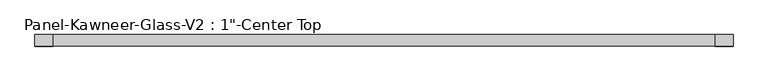
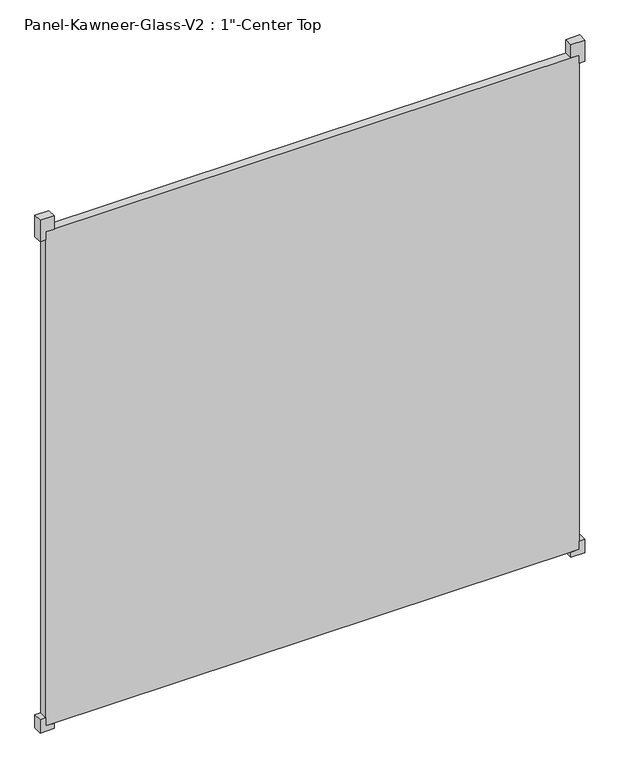
"""IFC4 building model written with IfcOpenShell, lengths in millimetres: plate geometry."""

from ifc_helpers import new_model, si_unit, frame, origin, origin_with_axes, place, context, project, spatial, polyline, outline, extrude, source, transform, mapped, element, save


def plate_96247972(model_context):
    return source(origin(), model_context, "Body", "SweptSolid", [
        extrude(outline(polyline([(-15.875, 730.25), (-15.875, 769.9375), (23.8125, 769.9375), (23.8125, 754.0625), (0.0, 754.0625), (0.0, 730.25), (-15.875, 730.25)])), frame((0.0, -12.7327949, 0.0), z_axis=(0.0, 1.0, 0.0), x_axis=(0.0, 0.0, 1.0)), (0.0, 0.0, 1.0), 25.4),
        extrude(outline(polyline([(-15.875, -730.25), (0.0, -730.25), (0.0, -754.0625), (23.8125, -754.0625), (23.8125, -769.9375), (-15.875, -769.9375), (-15.875, -730.25)])), frame((0.0, -12.7327949, 0.0), z_axis=(0.0, 1.0, 0.0), x_axis=(0.0, 0.0, 1.0)), (0.0, 0.0, 1.0), 25.4),
        extrude(outline(polyline([(1516.0625, 730.25), (1476.375, 730.25), (1476.375, 754.0625), (1452.5625, 754.0625), (1452.5625, 769.9375), (1516.0625, 769.9375), (1516.0625, 730.25)])), frame((0.0, -12.7327949, 0.0), z_axis=(0.0, 1.0, 0.0), x_axis=(0.0, 0.0, 1.0)), (0.0, 0.0, 1.0), 25.4),
        extrude(outline(polyline([(1516.0625, -730.25), (1516.0625, -769.9375), (1452.5625, -769.9375), (1452.5625, -754.0625), (1476.375, -754.0625), (1476.375, -730.25), (1516.0625, -730.25)])), frame((0.0, -12.7327949, 0.0), z_axis=(0.0, 1.0, 0.0), x_axis=(0.0, 0.0, 1.0)), (0.0, 0.0, 1.0), 25.4),
        extrude(outline(polyline([(754.0625, 12.6672051), (754.0625, -12.7327949), (-754.0625, -12.7327949), (-754.0625, 12.6672051), (754.0625, 12.6672051)])), origin_with_axes(), (0.0, 0.0, 1.0), 1476.375),
    ])


if __name__ == "__main__":
    model = new_model("IFC4")
    model_context = context("Model", 3, world=origin())
    ifc_project = project(units=[si_unit("LENGTHUNIT", "METRE", prefix="MILLI")], contexts=[model_context])
    site = spatial("IfcSite", under=ifc_project)
    building = spatial("IfcBuilding", under=site)
    placement = place(None, origin())
    plate_shape = plate_96247972(model_context)
    element("IfcPlate", 1, ObjectType="Panel-Kawneer-Glass-V2 : 1\"-Center Top", at=placement, inside=building, context=model_context, shape_type="MappedRepresentation", body=[
        mapped(plate_shape, transform((0.0, 0.0, 0.0), x_axis=(1.0, 0.0, 0.0), y_axis=(0.0, 1.0, 0.0), z_axis=(0.0, 0.0, 1.0))),
    ])
    save(model, "model.ifc")
